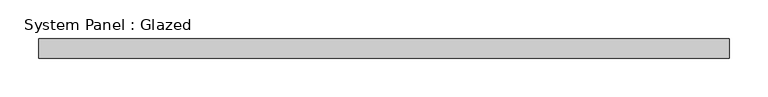
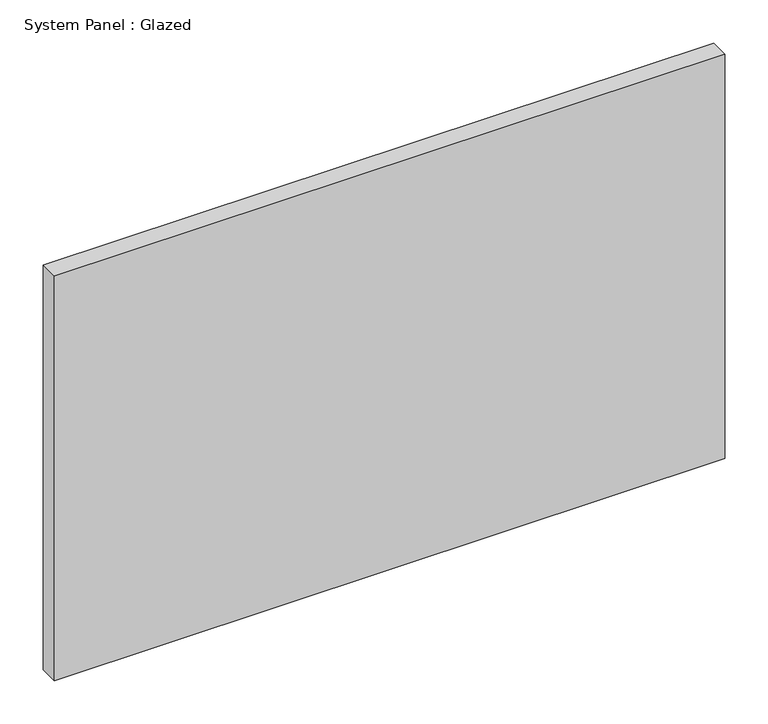
"""IFC4 building model written with IfcOpenShell, lengths in millimetres: plate geometry, System Panel : Glazed."""

from ifc_helpers import new_model, si_unit, origin, origin_with_axes, place, context, project, spatial, polyline, outline, extrude, source, transform, mapped, element, save


def system_panel_glazed_ecc21674(model_context):
    return source(origin(), model_context, "Body", "SweptSolid", [
        extrude(outline(polyline([(447.675, 19.05), (-447.675, 19.05), (-447.675, 44.45), (447.675, 44.45), (447.675, 19.05)])), origin_with_axes(), (0.0, 0.0, 1.0), 571.5),
    ])


if __name__ == "__main__":
    model = new_model("IFC4")
    model_context = context("Model", 3, world=origin())
    ifc_project = project(units=[si_unit("LENGTHUNIT", "METRE", prefix="MILLI")], contexts=[model_context])
    site = spatial("IfcSite", under=ifc_project)
    building = spatial("IfcBuilding", under=site)
    placement = place(None, origin())
    system_panel_glazed_shape = system_panel_glazed_ecc21674(model_context)
    element("IfcPlate", 1, ObjectType="System Panel : Glazed", at=placement, inside=building, context=model_context, shape_type="MappedRepresentation", body=[
        mapped(system_panel_glazed_shape, transform((0.0, 0.0, 0.0), x_axis=(1.0, 0.0, 0.0), y_axis=(0.0, 1.0, 0.0), z_axis=(0.0, 0.0, 1.0))),
    ])
    save(model, "model.ifc")
